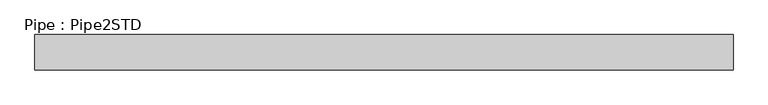
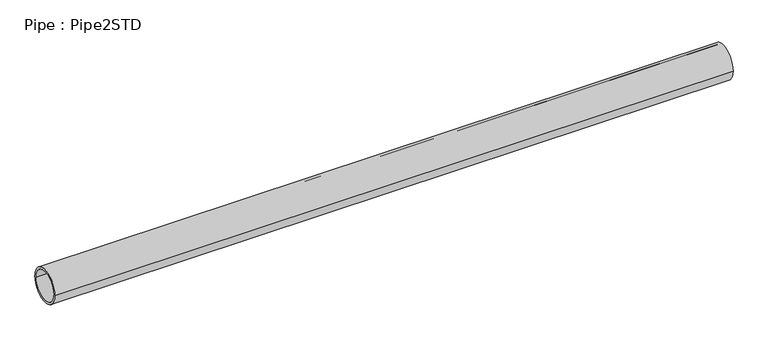
"""IFC4 building model written with IfcOpenShell, lengths in millimetres: member geometry, Pipe : Pipe2STD."""

from ifc_helpers import new_model, si_unit, point, frame, origin, origin_2d, place, context, project, spatial, circle_curve, trimmed, segment, composite_curve, outline, extrude, source, transform, mapped, element, save


def pipe_pipe2std_f3993157(model_context):
    return source(origin(), model_context, "Body", "SweptSolid", [
        extrude(outline(composite_curve([segment(trimmed(circle_curve(origin_2d(), 30.1625), [point((-30.1625, 0.0))], [point((30.1625, 0.0))], False, "CARTESIAN"), True, "CONTINUOUS"), segment(trimmed(circle_curve(origin_2d(), 30.1625), [point((30.1625, 0.0))], [point((-30.1625, 0.0))], False, "CARTESIAN"), True, "CONTINUOUS")], self_intersect=False), holes=[composite_curve([segment(trimmed(circle_curve(origin_2d(), 26.2509), [point((26.2509, 0.0))], [point((-26.2509, 0.0))], True, "CARTESIAN"), True, "CONTINUOUS"), segment(trimmed(circle_curve(origin_2d(), 26.2509), [point((-26.2509, 0.0))], [point((26.2509, 0.0))], True, "CARTESIAN"), True, "CONTINUOUS")], self_intersect=False)]), frame((-637.962518, 0.0, 0.0), z_axis=(1.0, 0.0, 0.0), x_axis=(0.0, 1.0, 0.0)), (0.0, 0.0, 1.0), 1185.7177486),
    ])


if __name__ == "__main__":
    model = new_model("IFC4")
    model_context = context("Model", 3, world=origin())
    ifc_project = project(units=[si_unit("LENGTHUNIT", "METRE", prefix="MILLI")], contexts=[model_context])
    site = spatial("IfcSite", under=ifc_project)
    building = spatial("IfcBuilding", under=site)
    placement = place(None, origin())
    pipe_pipe2std_shape = pipe_pipe2std_f3993157(model_context)
    element("IfcMember", 1, ObjectType="Pipe : Pipe2STD", at=placement, inside=building, context=model_context, shape_type="MappedRepresentation", body=[
        mapped(pipe_pipe2std_shape, transform((0.0, 0.0, 0.0), x_axis=(1.0, 0.0, 0.0), y_axis=(0.0, 1.0, 0.0), z_axis=(0.0, 0.0, 1.0))),
    ])
    save(model, "model.ifc")
